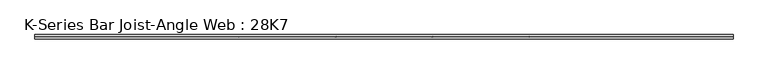
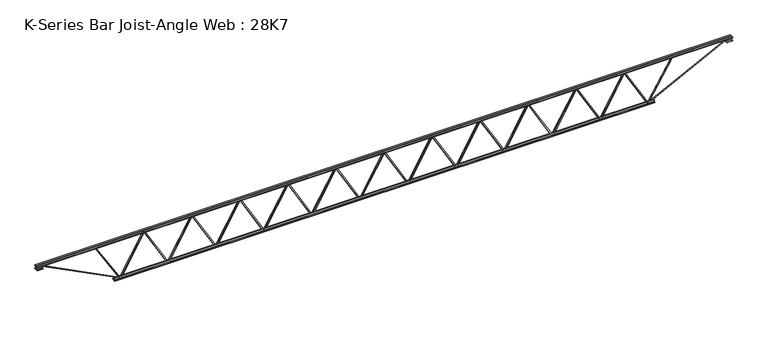
"""IFC4 building model written with IfcOpenShell, lengths in millimetres: beam geometry, K-Series Bar Joist-Angle Web : 28K7."""

from ifc_helpers import new_model, si_unit, frame, origin, place, context, project, spatial, polyline, outline, extrude, faceted_brep, source, transform, mapped, element, save


def k_series_bar_joist_angle_web_28k7_3396a01e(model_context):
    return source(origin(), model_context, "Body", "SolidModel", [
        extrude(outline(polyline([(-4.7625, 4.7625), (-4.7625, 0.0), (-17.4625, 0.0), (-17.4625, 4.7625), (-4.7625, 4.7625)])), frame((3647.6471177, 0.0, -317.5), z_axis=(-0.5001273071298886, 0.0, 0.8659518905014332), x_axis=(0.0, -1.0, 0.0)), (0.0, 0.0, 1.0), 733.2970884),
        extrude(outline(polyline([(-352.425, 3679.66625), (-333.375, 3679.66625), (-333.375, 3678.8145779), (352.425, 3282.7333279), (352.425, 3264.535), (333.375, 3264.535), (333.375, 3271.7366721), (-352.425, 3667.8179221), (-352.425, 3679.66625)])), frame((0.0, 0.0, 0.0), z_axis=(0.0, 1.0, 0.0), x_axis=(0.0, 0.0, 1.0)), (0.0, 0.0, 1.0), 4.7625),
        faceted_brep([(2862.10375, 0.0, -333.375), (2862.10375, 0.0, -352.425), (2862.10375, -4.7625, -352.425), (2862.10375, -4.7625, -333.375), (2862.9554221, 0.0, -333.375), (3259.0366721, 0.0, 352.425), (3277.235, 0.0, 352.425), (3277.235, 0.0, 333.375), (3270.0333279, 0.0, 333.375), (2873.9520779, 0.0, -352.425), (2873.9520779, -4.7625, -352.425), (2894.1228823, -4.7625, -317.5), (2889.9987864, -4.7625, -315.1181437), (3256.7406845, -4.7625, 319.8818563), (3260.8647804, -4.7625, 317.5), (3270.0333279, -4.7625, 333.375), (3277.235, -4.7625, 333.375), (3277.235, -4.7625, 352.425), (3259.0366721, -4.7625, 352.425), (2862.9554221, -4.7625, -333.375), (3260.8647804, -17.4625, 317.5), (2894.1228823, -17.4625, -317.5), (2889.9987864, -17.4625, -315.1181437), (3256.7406845, -17.4625, 319.8818563)], [[[0, 1, 2, 3]], [[1, 0, 4, 5, 6, 7, 8, 9]], [[2, 1, 9, 10]], [[3, 2, 10, 11, 12, 13, 14, 15, 16, 17, 18, 19]], [[0, 3, 19, 4]], [[9, 8, 15, 14, 20, 21, 11, 10]], [[5, 4, 19, 18]], [[7, 6, 17, 16]], [[8, 7, 16, 15]], [[6, 5, 18, 17]], [[21, 22, 12, 11]], [[20, 14, 13, 23]], [[22, 21, 20, 23]], [[12, 22, 23, 13]]]),
        extrude(outline(polyline([(-4.7625, 4.7625), (-4.7625, 0.0), (-17.4625, 0.0), (-17.4625, 4.7625), (-4.7625, 4.7625)])), frame((2829.9258677, 0.0, -317.5), z_axis=(-0.5001273071298886, 0.0, 0.8659518905014332), x_axis=(0.0, -1.0, 0.0)), (0.0, 0.0, 1.0), 733.2970884),
        extrude(outline(polyline([(-352.425, 2861.945), (-333.375, 2861.945), (-333.375, 2861.0933279), (352.425, 2465.0120779), (352.425, 2446.81375), (333.375, 2446.81375), (333.375, 2454.0154221), (-352.425, 2850.0966721), (-352.425, 2861.945)])), frame((0.0, 0.0, 0.0), z_axis=(0.0, 1.0, 0.0), x_axis=(0.0, 0.0, 1.0)), (0.0, 0.0, 1.0), 4.7625),
        faceted_brep([(2044.3825, 0.0, -333.375), (2044.3825, 0.0, -352.425), (2044.3825, -4.7625, -352.425), (2044.3825, -4.7625, -333.375), (2045.2341721, 0.0, -333.375), (2441.3154221, 0.0, 352.425), (2459.51375, 0.0, 352.425), (2459.51375, 0.0, 333.375), (2452.3120779, 0.0, 333.375), (2056.2308279, 0.0, -352.425), (2056.2308279, -4.7625, -352.425), (2076.4016323, -4.7625, -317.5), (2072.2775364, -4.7625, -315.1181437), (2439.0194345, -4.7625, 319.8818563), (2443.1435304, -4.7625, 317.5), (2452.3120779, -4.7625, 333.375), (2459.51375, -4.7625, 333.375), (2459.51375, -4.7625, 352.425), (2441.3154221, -4.7625, 352.425), (2045.2341721, -4.7625, -333.375), (2443.1435304, -17.4625, 317.5), (2076.4016323, -17.4625, -317.5), (2072.2775364, -17.4625, -315.1181437), (2439.0194345, -17.4625, 319.8818563)], [[[0, 1, 2, 3]], [[1, 0, 4, 5, 6, 7, 8, 9]], [[2, 1, 9, 10]], [[3, 2, 10, 11, 12, 13, 14, 15, 16, 17, 18, 19]], [[0, 3, 19, 4]], [[9, 8, 15, 14, 20, 21, 11, 10]], [[5, 4, 19, 18]], [[7, 6, 17, 16]], [[8, 7, 16, 15]], [[6, 5, 18, 17]], [[21, 22, 12, 11]], [[20, 14, 13, 23]], [[22, 21, 20, 23]], [[12, 22, 23, 13]]]),
        extrude(outline(polyline([(-4.7625, 4.7625), (-4.7625, 0.0), (-17.4625, 0.0), (-17.4625, 4.7625), (-4.7625, 4.7625)])), frame((2012.2046177, 0.0, -317.5), z_axis=(-0.5001273071298886, 0.0, 0.8659518905014332), x_axis=(0.0, -1.0, 0.0)), (0.0, 0.0, 1.0), 733.2970884),
        extrude(outline(polyline([(-352.425, 2044.22375), (-333.375, 2044.22375), (-333.375, 2043.3720779), (352.425, 1647.2908279), (352.425, 1629.0925), (333.375, 1629.0925), (333.375, 1636.2941721), (-352.425, 2032.3754221), (-352.425, 2044.22375)])), frame((0.0, 0.0, 0.0), z_axis=(0.0, 1.0, 0.0), x_axis=(0.0, 0.0, 1.0)), (0.0, 0.0, 1.0), 4.7625),
        faceted_brep([(1226.66125, 0.0, -333.375), (1226.66125, 0.0, -352.425), (1226.66125, -4.7625, -352.425), (1226.66125, -4.7625, -333.375), (1227.5129221, 0.0, -333.375), (1623.5941721, 0.0, 352.425), (1641.7925, 0.0, 352.425), (1641.7925, 0.0, 333.375), (1634.5908279, 0.0, 333.375), (1238.5095779, 0.0, -352.425), (1238.5095779, -4.7625, -352.425), (1258.6803823, -4.7625, -317.5), (1254.5562864, -4.7625, -315.1181437), (1621.2981845, -4.7625, 319.8818563), (1625.4222804, -4.7625, 317.5), (1634.5908279, -4.7625, 333.375), (1641.7925, -4.7625, 333.375), (1641.7925, -4.7625, 352.425), (1623.5941721, -4.7625, 352.425), (1227.5129221, -4.7625, -333.375), (1625.4222804, -17.4625, 317.5), (1258.6803823, -17.4625, -317.5), (1254.5562864, -17.4625, -315.1181437), (1621.2981845, -17.4625, 319.8818563)], [[[0, 1, 2, 3]], [[1, 0, 4, 5, 6, 7, 8, 9]], [[2, 1, 9, 10]], [[3, 2, 10, 11, 12, 13, 14, 15, 16, 17, 18, 19]], [[0, 3, 19, 4]], [[9, 8, 15, 14, 20, 21, 11, 10]], [[5, 4, 19, 18]], [[7, 6, 17, 16]], [[8, 7, 16, 15]], [[6, 5, 18, 17]], [[21, 22, 12, 11]], [[20, 14, 13, 23]], [[22, 21, 20, 23]], [[12, 22, 23, 13]]]),
        extrude(outline(polyline([(-4.7625, 4.7625), (-4.7625, 0.0), (-17.4625, 0.0), (-17.4625, 4.7625), (-4.7625, 4.7625)])), frame((1194.4833677, 0.0, -317.5), z_axis=(-0.5001273071298886, 0.0, 0.8659518905014332), x_axis=(0.0, -1.0, 0.0)), (0.0, 0.0, 1.0), 733.2970884),
        extrude(outline(polyline([(-352.425, 1226.5025), (-333.375, 1226.5025), (-333.375, 1225.6508279), (352.425, 829.5695779), (352.425, 811.37125), (333.375, 811.37125), (333.375, 818.5729221), (-352.425, 1214.6541721), (-352.425, 1226.5025)])), frame((0.0, 0.0, 0.0), z_axis=(0.0, 1.0, 0.0), x_axis=(0.0, 0.0, 1.0)), (0.0, 0.0, 1.0), 4.7625),
        faceted_brep([(408.94, 0.0, -333.375), (408.94, 0.0, -352.425), (408.94, -4.7625, -352.425), (408.94, -4.7625, -333.375), (409.7916721, 0.0, -333.375), (805.8729221, 0.0, 352.425), (824.07125, 0.0, 352.425), (824.07125, 0.0, 333.375), (816.8695779, 0.0, 333.375), (420.7883279, 0.0, -352.425), (420.7883279, -4.7625, -352.425), (440.9591323, -4.7625, -317.5), (436.8350364, -4.7625, -315.1181437), (803.5769345, -4.7625, 319.8818563), (807.7010304, -4.7625, 317.5), (816.8695779, -4.7625, 333.375), (824.07125, -4.7625, 333.375), (824.07125, -4.7625, 352.425), (805.8729221, -4.7625, 352.425), (409.7916721, -4.7625, -333.375), (807.7010304, -17.4625, 317.5), (440.9591323, -17.4625, -317.5), (436.8350364, -17.4625, -315.1181437), (803.5769345, -17.4625, 319.8818563)], [[[0, 1, 2, 3]], [[1, 0, 4, 5, 6, 7, 8, 9]], [[2, 1, 9, 10]], [[3, 2, 10, 11, 12, 13, 14, 15, 16, 17, 18, 19]], [[0, 3, 19, 4]], [[9, 8, 15, 14, 20, 21, 11, 10]], [[5, 4, 19, 18]], [[7, 6, 17, 16]], [[8, 7, 16, 15]], [[6, 5, 18, 17]], [[21, 22, 12, 11]], [[20, 14, 13, 23]], [[22, 21, 20, 23]], [[12, 22, 23, 13]]]),
        extrude(outline(polyline([(-4.7625, 4.7625), (-4.7625, 0.0), (-17.4625, 0.0), (-17.4625, 4.7625), (-4.7625, 4.7625)])), frame((376.7621177, 0.0, -317.5), z_axis=(-0.5001273071298886, 0.0, 0.8659518905014332), x_axis=(0.0, -1.0, 0.0)), (0.0, 0.0, 1.0), 733.2970884),
        extrude(outline(polyline([(-352.425, 408.78125), (-333.375, 408.78125), (-333.375, 407.9295779), (352.425, 11.8483279), (352.425, -6.35), (333.375, -6.35), (333.375, 0.8516721), (-352.425, 396.9329221), (-352.425, 408.78125)])), frame((0.0, 0.0, 0.0), z_axis=(0.0, 1.0, 0.0), x_axis=(0.0, 0.0, 1.0)), (0.0, 0.0, 1.0), 4.7625),
        faceted_brep([(-408.78125, 0.0, -333.375), (-408.78125, 0.0, -352.425), (-408.78125, -4.7625, -352.425), (-408.78125, -4.7625, -333.375), (-407.9295779, 0.0, -333.375), (-11.8483279, 0.0, 352.425), (6.35, 0.0, 352.425), (6.35, 0.0, 333.375), (-0.8516721, 0.0, 333.375), (-396.9329221, 0.0, -352.425), (-396.9329221, -4.7625, -352.425), (-376.7621177, -4.7625, -317.5), (-380.8862136, -4.7625, -315.1181437), (-14.1443155, -4.7625, 319.8818563), (-10.0202196, -4.7625, 317.5), (-0.8516721, -4.7625, 333.375), (6.35, -4.7625, 333.375), (6.35, -4.7625, 352.425), (-11.8483279, -4.7625, 352.425), (-407.9295779, -4.7625, -333.375), (-10.0202196, -17.4625, 317.5), (-376.7621177, -17.4625, -317.5), (-380.8862136, -17.4625, -315.1181437), (-14.1443155, -17.4625, 319.8818563)], [[[0, 1, 2, 3]], [[1, 0, 4, 5, 6, 7, 8, 9]], [[2, 1, 9, 10]], [[3, 2, 10, 11, 12, 13, 14, 15, 16, 17, 18, 19]], [[0, 3, 19, 4]], [[9, 8, 15, 14, 20, 21, 11, 10]], [[5, 4, 19, 18]], [[7, 6, 17, 16]], [[8, 7, 16, 15]], [[6, 5, 18, 17]], [[21, 22, 12, 11]], [[20, 14, 13, 23]], [[22, 21, 20, 23]], [[12, 22, 23, 13]]]),
        extrude(outline(polyline([(-4.7625, 4.7625), (-4.7625, 0.0), (-17.4625, 0.0), (-17.4625, 4.7625), (-4.7625, 4.7625)])), frame((-440.9591323, 0.0, -317.5), z_axis=(-0.5001273071298886, 0.0, 0.8659518905014332), x_axis=(0.0, -1.0, 0.0)), (0.0, 0.0, 1.0), 733.2970884),
        extrude(outline(polyline([(-352.425, -408.94), (-333.375, -408.94), (-333.375, -409.7916721), (352.425, -805.8729221), (352.425, -824.07125), (333.375, -824.07125), (333.375, -816.8695779), (-352.425, -420.7883279), (-352.425, -408.94)])), frame((0.0, 0.0, 0.0), z_axis=(0.0, 1.0, 0.0), x_axis=(0.0, 0.0, 1.0)), (0.0, 0.0, 1.0), 4.7625),
        faceted_brep([(-1226.5025, 0.0, -333.375), (-1226.5025, 0.0, -352.425), (-1226.5025, -4.7625, -352.425), (-1226.5025, -4.7625, -333.375), (-1225.6508279, 0.0, -333.375), (-829.5695779, 0.0, 352.425), (-811.37125, 0.0, 352.425), (-811.37125, 0.0, 333.375), (-818.5729221, 0.0, 333.375), (-1214.6541721, 0.0, -352.425), (-1214.6541721, -4.7625, -352.425), (-1194.4833677, -4.7625, -317.5), (-1198.6074636, -4.7625, -315.1181437), (-831.8655655, -4.7625, 319.8818563), (-827.7414696, -4.7625, 317.5), (-818.5729221, -4.7625, 333.375), (-811.37125, -4.7625, 333.375), (-811.37125, -4.7625, 352.425), (-829.5695779, -4.7625, 352.425), (-1225.6508279, -4.7625, -333.375), (-827.7414696, -17.4625, 317.5), (-1194.4833677, -17.4625, -317.5), (-1198.6074636, -17.4625, -315.1181437), (-831.8655655, -17.4625, 319.8818563)], [[[0, 1, 2, 3]], [[1, 0, 4, 5, 6, 7, 8, 9]], [[2, 1, 9, 10]], [[3, 2, 10, 11, 12, 13, 14, 15, 16, 17, 18, 19]], [[0, 3, 19, 4]], [[9, 8, 15, 14, 20, 21, 11, 10]], [[5, 4, 19, 18]], [[7, 6, 17, 16]], [[8, 7, 16, 15]], [[6, 5, 18, 17]], [[21, 22, 12, 11]], [[20, 14, 13, 23]], [[22, 21, 20, 23]], [[12, 22, 23, 13]]]),
        extrude(outline(polyline([(-4.7625, 4.7625), (-4.7625, 0.0), (-17.4625, 0.0), (-17.4625, 4.7625), (-4.7625, 4.7625)])), frame((-1258.6803823, 0.0, -317.5), z_axis=(-0.5001273071298886, 0.0, 0.8659518905014332), x_axis=(0.0, -1.0, 0.0)), (0.0, 0.0, 1.0), 733.2970884),
        extrude(outline(polyline([(-352.425, -1226.66125), (-333.375, -1226.66125), (-333.375, -1227.5129221), (352.425, -1623.5941721), (352.425, -1641.7925), (333.375, -1641.7925), (333.375, -1634.5908279), (-352.425, -1238.5095779), (-352.425, -1226.66125)])), frame((0.0, 0.0, 0.0), z_axis=(0.0, 1.0, 0.0), x_axis=(0.0, 0.0, 1.0)), (0.0, 0.0, 1.0), 4.7625),
        faceted_brep([(-2044.22375, 0.0, -333.375), (-2044.22375, 0.0, -352.425), (-2044.22375, -4.7625, -352.425), (-2044.22375, -4.7625, -333.375), (-2043.3720779, 0.0, -333.375), (-1647.2908279, 0.0, 352.425), (-1629.0925, 0.0, 352.425), (-1629.0925, 0.0, 333.375), (-1636.2941721, 0.0, 333.375), (-2032.3754221, 0.0, -352.425), (-2032.3754221, -4.7625, -352.425), (-2012.2046177, -4.7625, -317.5), (-2016.3287136, -4.7625, -315.1181437), (-1649.5868155, -4.7625, 319.8818563), (-1645.4627196, -4.7625, 317.5), (-1636.2941721, -4.7625, 333.375), (-1629.0925, -4.7625, 333.375), (-1629.0925, -4.7625, 352.425), (-1647.2908279, -4.7625, 352.425), (-2043.3720779, -4.7625, -333.375), (-1645.4627196, -17.4625, 317.5), (-2012.2046177, -17.4625, -317.5), (-2016.3287136, -17.4625, -315.1181437), (-1649.5868155, -17.4625, 319.8818563)], [[[0, 1, 2, 3]], [[1, 0, 4, 5, 6, 7, 8, 9]], [[2, 1, 9, 10]], [[3, 2, 10, 11, 12, 13, 14, 15, 16, 17, 18, 19]], [[0, 3, 19, 4]], [[9, 8, 15, 14, 20, 21, 11, 10]], [[5, 4, 19, 18]], [[7, 6, 17, 16]], [[8, 7, 16, 15]], [[6, 5, 18, 17]], [[21, 22, 12, 11]], [[20, 14, 13, 23]], [[22, 21, 20, 23]], [[12, 22, 23, 13]]]),
        extrude(outline(polyline([(-4.7625, 4.7625), (-4.7625, 0.0), (-17.4625, 0.0), (-17.4625, 4.7625), (-4.7625, 4.7625)])), frame((-2076.4016323, 0.0, -317.5), z_axis=(-0.5001273071298886, 0.0, 0.8659518905014332), x_axis=(0.0, -1.0, 0.0)), (0.0, 0.0, 1.0), 733.2970884),
        extrude(outline(polyline([(-352.425, -2044.3825), (-333.375, -2044.3825), (-333.375, -2045.2341721), (352.425, -2441.3154221), (352.425, -2459.51375), (333.375, -2459.51375), (333.375, -2452.3120779), (-352.425, -2056.2308279), (-352.425, -2044.3825)])), frame((0.0, 0.0, 0.0), z_axis=(0.0, 1.0, 0.0), x_axis=(0.0, 0.0, 1.0)), (0.0, 0.0, 1.0), 4.7625),
        faceted_brep([(-2861.945, 0.0, -333.375), (-2861.945, 0.0, -352.425), (-2861.945, -4.7625, -352.425), (-2861.945, -4.7625, -333.375), (-2861.0933279, 0.0, -333.375), (-2465.0120779, 0.0, 352.425), (-2446.81375, 0.0, 352.425), (-2446.81375, 0.0, 333.375), (-2454.0154221, 0.0, 333.375), (-2850.0966721, 0.0, -352.425), (-2850.0966721, -4.7625, -352.425), (-2829.9258677, -4.7625, -317.5), (-2834.0499636, -4.7625, -315.1181437), (-2467.3080655, -4.7625, 319.8818563), (-2463.1839696, -4.7625, 317.5), (-2454.0154221, -4.7625, 333.375), (-2446.81375, -4.7625, 333.375), (-2446.81375, -4.7625, 352.425), (-2465.0120779, -4.7625, 352.425), (-2861.0933279, -4.7625, -333.375), (-2463.1839696, -17.4625, 317.5), (-2829.9258677, -17.4625, -317.5), (-2834.0499636, -17.4625, -315.1181437), (-2467.3080655, -17.4625, 319.8818563)], [[[0, 1, 2, 3]], [[1, 0, 4, 5, 6, 7, 8, 9]], [[2, 1, 9, 10]], [[3, 2, 10, 11, 12, 13, 14, 15, 16, 17, 18, 19]], [[0, 3, 19, 4]], [[9, 8, 15, 14, 20, 21, 11, 10]], [[5, 4, 19, 18]], [[7, 6, 17, 16]], [[8, 7, 16, 15]], [[6, 5, 18, 17]], [[21, 22, 12, 11]], [[20, 14, 13, 23]], [[22, 21, 20, 23]], [[12, 22, 23, 13]]]),
        extrude(outline(polyline([(-4.7625, 4.7625), (-4.7625, 0.0), (-17.4625, 0.0), (-17.4625, 4.7625), (-4.7625, 4.7625)])), frame((-2894.1228823, 0.0, -317.5), z_axis=(-0.5001273071298886, 0.0, 0.8659518905014332), x_axis=(0.0, -1.0, 0.0)), (0.0, 0.0, 1.0), 733.2970884),
        extrude(outline(polyline([(-352.425, -2862.10375), (-333.375, -2862.10375), (-333.375, -2862.9554221), (352.425, -3259.0366721), (352.425, -3277.235), (333.375, -3277.235), (333.375, -3270.0333279), (-352.425, -2873.9520779), (-352.425, -2862.10375)])), frame((0.0, 0.0, 0.0), z_axis=(0.0, 1.0, 0.0), x_axis=(0.0, 0.0, 1.0)), (0.0, 0.0, 1.0), 4.7625),
        faceted_brep([(-3679.66625, 0.0, -333.375), (-3679.66625, 0.0, -352.425), (-3679.66625, -4.7625, -352.425), (-3679.66625, -4.7625, -333.375), (-3678.8145779, 0.0, -333.375), (-3282.7333279, 0.0, 352.425), (-3264.535, 0.0, 352.425), (-3264.535, 0.0, 333.375), (-3271.7366721, 0.0, 333.375), (-3667.8179221, 0.0, -352.425), (-3667.8179221, -4.7625, -352.425), (-3647.6471177, -4.7625, -317.5), (-3651.7712136, -4.7625, -315.1181437), (-3285.0293155, -4.7625, 319.8818563), (-3280.9052196, -4.7625, 317.5), (-3271.7366721, -4.7625, 333.375), (-3264.535, -4.7625, 333.375), (-3264.535, -4.7625, 352.425), (-3282.7333279, -4.7625, 352.425), (-3678.8145779, -4.7625, -333.375), (-3280.9052196, -17.4625, 317.5), (-3647.6471177, -17.4625, -317.5), (-3651.7712136, -17.4625, -315.1181437), (-3285.0293155, -17.4625, 319.8818563)], [[[0, 1, 2, 3]], [[1, 0, 4, 5, 6, 7, 8, 9]], [[2, 1, 9, 10]], [[3, 2, 10, 11, 12, 13, 14, 15, 16, 17, 18, 19]], [[0, 3, 19, 4]], [[9, 8, 15, 14, 20, 21, 11, 10]], [[5, 4, 19, 18]], [[7, 6, 17, 16]], [[8, 7, 16, 15]], [[6, 5, 18, 17]], [[21, 22, 12, 11]], [[20, 14, 13, 23]], [[22, 21, 20, 23]], [[12, 22, 23, 13]]]),
        extrude(outline(polyline([(-4.7625, 4.7625), (-4.7625, 0.0), (-17.4625, 0.0), (-17.4625, 4.7625), (-4.7625, 4.7625)])), frame((4465.3683677, 0.0, -317.5), z_axis=(-0.5001273071298886, 0.0, 0.8659518905014332), x_axis=(0.0, -1.0, 0.0)), (0.0, 0.0, 1.0), 733.2970884),
        extrude(outline(polyline([(-352.425, 4497.3875), (-333.375, 4497.3875), (-333.375, 4496.5358279), (352.425, 4100.4545779), (352.425, 4082.25625), (333.375, 4082.25625), (333.375, 4089.4579221), (-352.425, 4485.5391721), (-352.425, 4497.3875)])), frame((0.0, 0.0, 0.0), z_axis=(0.0, 1.0, 0.0), x_axis=(0.0, 0.0, 1.0)), (0.0, 0.0, 1.0), 4.7625),
        faceted_brep([(3679.825, 0.0, -333.375), (3679.825, 0.0, -352.425), (3679.825, -4.7625, -352.425), (3679.825, -4.7625, -333.375), (3680.6766721, 0.0, -333.375), (4076.7579221, 0.0, 352.425), (4094.95625, 0.0, 352.425), (4094.95625, 0.0, 333.375), (4087.7545779, 0.0, 333.375), (3691.6733279, 0.0, -352.425), (3691.6733279, -4.7625, -352.425), (3711.8441323, -4.7625, -317.5), (3707.7200364, -4.7625, -315.1181437), (4074.4619345, -4.7625, 319.8818563), (4078.5860304, -4.7625, 317.5), (4087.7545779, -4.7625, 333.375), (4094.95625, -4.7625, 333.375), (4094.95625, -4.7625, 352.425), (4076.7579221, -4.7625, 352.425), (3680.6766721, -4.7625, -333.375), (4078.5860304, -17.4625, 317.5), (3711.8441323, -17.4625, -317.5), (3707.7200364, -17.4625, -315.1181437), (4074.4619345, -17.4625, 319.8818563)], [[[0, 1, 2, 3]], [[1, 0, 4, 5, 6, 7, 8, 9]], [[2, 1, 9, 10]], [[3, 2, 10, 11, 12, 13, 14, 15, 16, 17, 18, 19]], [[0, 3, 19, 4]], [[9, 8, 15, 14, 20, 21, 11, 10]], [[5, 4, 19, 18]], [[7, 6, 17, 16]], [[8, 7, 16, 15]], [[6, 5, 18, 17]], [[21, 22, 12, 11]], [[20, 14, 13, 23]], [[22, 21, 20, 23]], [[12, 22, 23, 13]]]),
        extrude(outline(polyline([(-4.7625, 4.7625), (-4.7625, 0.0), (-17.4625, 0.0), (-17.4625, 4.7625), (-4.7625, 4.7625)])), frame((-3711.8441323, 0.0, -317.5), z_axis=(-0.5001273071298886, 0.0, 0.8659518905014332), x_axis=(0.0, -1.0, 0.0)), (0.0, 0.0, 1.0), 733.2970884),
        extrude(outline(polyline([(-352.425, -3679.825), (-333.375, -3679.825), (-333.375, -3680.6766721), (352.425, -4076.7579221), (352.425, -4094.95625), (333.375, -4094.95625), (333.375, -4087.7545779), (-352.425, -3691.6733279), (-352.425, -3679.825)])), frame((0.0, 0.0, 0.0), z_axis=(0.0, 1.0, 0.0), x_axis=(0.0, 0.0, 1.0)), (0.0, 0.0, 1.0), 4.7625),
        faceted_brep([(-4497.3875, 0.0, -333.375), (-4497.3875, 0.0, -352.425), (-4497.3875, -4.7625, -352.425), (-4497.3875, -4.7625, -333.375), (-4496.5358279, 0.0, -333.375), (-4100.4545779, 0.0, 352.425), (-4082.25625, 0.0, 352.425), (-4082.25625, 0.0, 333.375), (-4089.4579221, 0.0, 333.375), (-4485.5391721, 0.0, -352.425), (-4485.5391721, -4.7625, -352.425), (-4465.3683677, -4.7625, -317.5), (-4469.4924636, -4.7625, -315.1181437), (-4102.7505655, -4.7625, 319.8818563), (-4098.6264696, -4.7625, 317.5), (-4089.4579221, -4.7625, 333.375), (-4082.25625, -4.7625, 333.375), (-4082.25625, -4.7625, 352.425), (-4100.4545779, -4.7625, 352.425), (-4496.5358279, -4.7625, -333.375), (-4098.6264696, -17.4625, 317.5), (-4465.3683677, -17.4625, -317.5), (-4469.4924636, -17.4625, -315.1181437), (-4102.7505655, -17.4625, 319.8818563)], [[[0, 1, 2, 3]], [[1, 0, 4, 5, 6, 7, 8, 9]], [[2, 1, 9, 10]], [[3, 2, 10, 11, 12, 13, 14, 15, 16, 17, 18, 19]], [[0, 3, 19, 4]], [[9, 8, 15, 14, 20, 21, 11, 10]], [[5, 4, 19, 18]], [[7, 6, 17, 16]], [[8, 7, 16, 15]], [[6, 5, 18, 17]], [[21, 22, 12, 11]], [[20, 14, 13, 23]], [[22, 21, 20, 23]], [[12, 22, 23, 13]]]),
        extrude(outline(polyline([(4.7625, 355.6), (36.5125, 355.6), (36.5125, 349.25), (11.1125, 349.25), (11.1125, 323.85), (4.7625, 323.85), (4.7625, 355.6)])), frame((-5919.7875, 0.0, 0.0), z_axis=(1.0, 0.0, 0.0), x_axis=(0.0, 1.0, 0.0)), (0.0, 0.0, 1.0), 11839.575),
        extrude(outline(polyline([(-4.7625, 355.6), (-4.7625, 323.85), (-11.1125, 323.85), (-11.1125, 349.25), (-36.5125, 349.25), (-36.5125, 355.6), (-4.7625, 355.6)])), frame((-5919.7875, 0.0, 0.0), z_axis=(1.0, 0.0, 0.0), x_axis=(0.0, 1.0, 0.0)), (0.0, 0.0, 1.0), 11839.575),
        extrude(outline(polyline([(-4.7625, 292.1), (-36.5125, 292.1), (-36.5125, 298.45), (-11.1125, 298.45), (-11.1125, 323.85), (-4.7625, 323.85), (-4.7625, 292.1)])), frame((-5919.7875, 0.0, 0.0), z_axis=(1.0, 0.0, 0.0), x_axis=(0.0, 1.0, 0.0)), (0.0, 0.0, 1.0), 101.6),
        extrude(outline(polyline([(36.5125, 292.1), (4.7625, 292.1), (4.7625, 323.85), (11.1125, 323.85), (11.1125, 298.45), (36.5125, 298.45), (36.5125, 292.1)])), frame((-5919.7875, 0.0, 0.0), z_axis=(1.0, 0.0, 0.0), x_axis=(0.0, 1.0, 0.0)), (0.0, 0.0, 1.0), 101.6),
        extrude(outline(polyline([(4.7625, 292.1), (4.7625, 323.85), (11.1125, 323.85), (11.1125, 298.45), (36.5125, 298.45), (36.5125, 292.1), (4.7625, 292.1)])), frame((5818.1875, 0.0, 0.0), z_axis=(1.0, 0.0, 0.0), x_axis=(0.0, 1.0, 0.0)), (0.0, 0.0, 1.0), 101.6),
        extrude(outline(polyline([(-4.7625, 292.1), (-36.5125, 292.1), (-36.5125, 298.45), (-11.1125, 298.45), (-11.1125, 323.85), (-4.7625, 323.85), (-4.7625, 292.1)])), frame((5818.1875, 0.0, 0.0), z_axis=(1.0, 0.0, 0.0), x_axis=(0.0, 1.0, 0.0)), (0.0, 0.0, 1.0), 101.6),
        extrude(outline(polyline([(4.7625, -355.6), (4.7625, -323.85), (11.1125, -323.85), (11.1125, -349.25), (36.5125, -349.25), (36.5125, -355.6), (4.7625, -355.6)])), frame((-4598.9875, 0.0, 0.0), z_axis=(1.0, 0.0, 0.0), x_axis=(0.0, 1.0, 0.0)), (0.0, 0.0, 1.0), 9197.975),
        extrude(outline(polyline([(-4.7625, -355.6), (-36.5125, -355.6), (-36.5125, -349.25), (-11.1125, -349.25), (-11.1125, -323.85), (-4.7625, -323.85), (-4.7625, -355.6)])), frame((-4598.9875, 0.0, 0.0), z_axis=(1.0, 0.0, 0.0), x_axis=(0.0, 1.0, 0.0)), (0.0, 0.0, 1.0), 9197.975),
        extrude(outline(polyline([(4.7625, 4.7625), (4.7625, -4.7625), (-4.7625, -4.7625), (-4.7625, 4.7625), (4.7625, 4.7625)])), frame((4497.3875, 0.0, -349.25), z_axis=(0.5190833381646853, 0.0, 0.8547236325501986), x_axis=(0.0, -1.0, 0.0)), (0.0, 0.0, 1.0), 787.5060129),
        extrude(outline(polyline([(4.7625, 4.7625), (4.7625, -4.7625), (-4.7625, -4.7625), (-4.7625, 4.7625), (4.7625, 4.7625)])), frame((-4497.3875, 0.0, -349.25), z_axis=(-0.5190833381646686, 0.0, 0.8547236325502089), x_axis=(0.0, -1.0, 0.0)), (0.0, 0.0, 1.0), 787.5060129),
        extrude(outline(polyline([(0.0, -9.525), (0.0, 0.0), (1482.4224263, 0.0), (1482.4224263, -9.525), (0.0, -9.525)])), frame((5820.3499327, -4.7625, 319.6067358), z_axis=(-0.4540541130905684, 0.0, 0.8909741087066095), x_axis=(-0.8909741087066095, 0.0, -0.4540541130905684)), (0.0, 0.0, 1.0), 9.525),
        extrude(outline(polyline([(0.0, -9.525), (0.0, 0.0), (1482.4224263, 0.0), (1482.4224263, -9.525), (0.0, -9.525)])), frame((-5820.3499327, 4.7625, 319.6067358), z_axis=(0.45405411309056837, 0.0, 0.8909741087066096), x_axis=(0.8909741087066096, 0.0, -0.45405411309056837)), (0.0, 0.0, 1.0), 9.525),
    ])


if __name__ == "__main__":
    model = new_model("IFC4")
    model_context = context("Model", 3, world=origin())
    ifc_project = project(units=[si_unit("LENGTHUNIT", "METRE", prefix="MILLI")], contexts=[model_context])
    site = spatial("IfcSite", under=ifc_project)
    building = spatial("IfcBuilding", under=site)
    placement = place(None, origin())
    k_series_bar_joist_angle_web_28k7_shape = k_series_bar_joist_angle_web_28k7_3396a01e(model_context)
    element("IfcBeam", 1, ObjectType="K-Series Bar Joist-Angle Web : 28K7", at=placement, inside=building, context=model_context, shape_type="MappedRepresentation", body=[
        mapped(k_series_bar_joist_angle_web_28k7_shape, transform((0.0, 0.0, 0.0), x_axis=(1.0, 0.0, 0.0), y_axis=(0.0, 1.0, 0.0), z_axis=(0.0, 0.0, 1.0))),
    ])
    save(model, "model.ifc")
